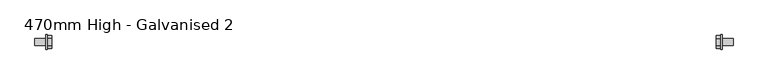
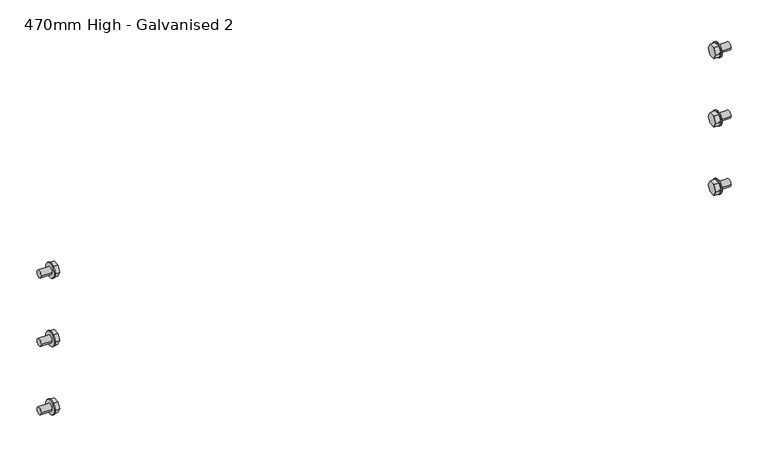
"""IFC4 building model written with IfcOpenShell, lengths in millimetres: proxy geometry, 470mm High - Galvanised 2."""

from ifc_helpers import new_model, si_unit, frame, origin, place, context, project, spatial, circle_curve, source, transform, mapped, element, save
from ifc_brep_helpers import plane_surface, cylinder_surface, advanced_brep


def proxy_470mm_high_galvanised_2_6a784b65(model_context):
    return source(origin(), model_context, "Body", "AdvancedBrep", [
        advanced_brep(
        [(1182.0, 6.0, 377.9554962), (1182.0, -6.0, 377.9554962), (1164.0, 6.0, 377.9554962), (1164.0, -6.0, 377.9554962), (1164.0, -12.0, 378.0), (1164.0, 12.0, 378.0), (1162.0, -12.0, 378.0), (1162.0, 12.0, 378.0), (1162.0, -5.4871529, 368.4514687), (1162.0, 5.4871529, 368.4514687), (1162.0, 10.9743057, 377.9554962), (1162.0, 5.4871529, 387.4595238), (1162.0, -5.4871529, 387.4595238), (1162.0, -10.9743057, 377.9554962), (1154.0, -5.4871529, 368.4514687), (1154.0, -10.9743057, 377.9554962), (1154.0, -5.4871529, 387.4595238), (1154.0, 5.4871529, 387.4595238), (1154.0, 10.9743057, 377.9554962), (1154.0, 5.4871529, 368.4514687)],
        [
            (0, 1, circle_curve(frame((1182.0, 0.0, 377.9554962), z_axis=(1.0, 0.0, 0.0), x_axis=(0.0, 1.0, 0.0)), 6.0)),
            (1, 0, circle_curve(frame((1182.0, 0.0, 377.9554962), z_axis=(1.0, 0.0, 0.0), x_axis=(0.0, 1.0, 0.0)), 6.0)),
            (0, 2),
            (2, 3, circle_curve(frame((1164.0, 0.0, 377.9554962), z_axis=(1.0, 0.0, 0.0), x_axis=(0.0, 1.0, 0.0)), 6.0)),
            (3, 1),
            (3, 2, circle_curve(frame((1164.0, 0.0, 377.9554962), z_axis=(1.0, 0.0, 0.0), x_axis=(0.0, 1.0, 0.0)), 6.0)),
            (4, 5, circle_curve(frame((1164.0, 0.0, 378.0), z_axis=(1.0, 0.0, 0.0), x_axis=(0.0, 1.0, 0.0)), 12.0)),
            (5, 4, circle_curve(frame((1164.0, 0.0, 378.0), z_axis=(1.0, 0.0, 0.0), x_axis=(0.0, 1.0, 0.0)), 12.0)),
            (6, 7, circle_curve(frame((1162.0, 0.0, 378.0), z_axis=(-1.0, 0.0, 0.0), x_axis=(0.0, 1.0, 0.0)), 12.0)),
            (7, 6, circle_curve(frame((1162.0, 0.0, 378.0), z_axis=(-1.0, 0.0, 0.0), x_axis=(0.0, 1.0, 0.0)), 12.0)),
            (8, 9),
            (9, 10),
            (10, 11),
            (11, 12),
            (12, 13),
            (13, 8),
            (4, 6),
            (7, 5),
            (14, 15),
            (15, 16),
            (16, 17),
            (17, 18),
            (18, 19),
            (19, 14),
            (19, 9),
            (8, 14),
            (18, 10),
            (17, 11),
            (16, 12),
            (15, 13),
        ],
        [
            plane_surface(frame((1182.0, 6.0, 377.9554962), z_axis=(1.0, 0.0, 0.0), x_axis=(0.0, 0.0, 1.0))),
            cylinder_surface(frame((1164.0, 0.0, 377.9554962), z_axis=(1.0, 0.0, 0.0), x_axis=(0.0, 1.0, 0.0)), 6.0),
            plane_surface(frame((1164.0, 12.0, 378.0), z_axis=(1.0, 0.0, 0.0), x_axis=(0.0, 0.0, 1.0))),
            plane_surface(frame((1162.0, 12.0, 378.0), z_axis=(-1.0, 0.0, 0.0), x_axis=(0.0, 0.0, -1.0))),
            cylinder_surface(frame((1162.0, 0.0, 378.0), z_axis=(1.0, 0.0, 0.0), x_axis=(0.0, 1.0, 0.0)), 12.0),
            plane_surface(frame((1154.0, -5.4871529, 368.4514687), z_axis=(-1.0, 0.0, 0.0), x_axis=(0.0, -1.0, 0.0))),
            plane_surface(frame((1164.0, -5.4871529, 368.4514687), z_axis=(0.0, 0.0, -1.0), x_axis=(-1.0, 0.0, 0.0))),
            plane_surface(frame((1164.0, 5.4871529, 368.4514687), z_axis=(0.0, 0.866025403784431, -0.5000000000000132), x_axis=(-1.0, 0.0, 0.0))),
            plane_surface(frame((1164.0, 10.9743057, 377.9554962), z_axis=(0.0, 0.8660254037844458, 0.4999999999999877), x_axis=(-1.0, 0.0, 0.0))),
            plane_surface(frame((1164.0, 5.4871529, 387.4595238), z_axis=(0.0, 0.0, 1.0), x_axis=(-1.0, 0.0, 0.0))),
            plane_surface(frame((1164.0, -5.4871529, 387.4595238), z_axis=(0.0, -0.8660254037844308, 0.5000000000000138), x_axis=(-1.0, 0.0, 0.0))),
            plane_surface(frame((1164.0, -10.9743057, 377.9554962), z_axis=(0.0, -0.8660254037844438, -0.4999999999999911), x_axis=(-1.0, 0.0, 0.0))),
        ],
        [
            (0, [[1, 2]]),
            (1, [[-1, 3, 4, 5]]),
            (1, [[-2, -5, 6, -3]]),
            (2, [[7, 8], [-4, -6]]),
            (3, [[9, 10], [11, 12, 13, 14, 15, 16]]),
            (4, [[-7, 17, -10, 18]]),
            (4, [[-8, -18, -9, -17]]),
            (5, [[19, 20, 21, 22, 23, 24]]),
            (6, [[-24, 25, -11, 26]]),
            (7, [[-23, 27, -12, -25]]),
            (8, [[-22, 28, -13, -27]]),
            (9, [[-21, 29, -14, -28]]),
            (10, [[-20, 30, -15, -29]]),
            (11, [[-19, -26, -16, -30]]),
        ],
    ),
        advanced_brep(
        [(1182.0, 6.0, 257.9554962), (1182.0, -6.0, 257.9554962), (1164.0, 6.0, 257.9554962), (1164.0, -6.0, 257.9554962), (1164.0, -12.0, 258.0), (1164.0, 12.0, 258.0), (1162.0, -12.0, 258.0), (1162.0, 12.0, 258.0), (1162.0, -5.5128471, 248.4069649), (1162.0, 5.5128471, 248.4069649), (1162.0, 11.0256943, 257.9554962), (1162.0, 5.5128471, 267.5040276), (1162.0, -5.5128471, 267.5040276), (1162.0, -11.0256943, 257.9554962), (1154.0, -5.5128471, 248.4069649), (1154.0, -11.0256943, 257.9554962), (1154.0, -5.5128471, 267.5040276), (1154.0, 5.5128471, 267.5040276), (1154.0, 11.0256943, 257.9554962), (1154.0, 5.5128471, 248.4069649)],
        [
            (0, 1, circle_curve(frame((1182.0, 0.0, 257.9554962), z_axis=(1.0, 0.0, 0.0), x_axis=(0.0, 1.0, 0.0)), 6.0)),
            (1, 0, circle_curve(frame((1182.0, 0.0, 257.9554962), z_axis=(1.0, 0.0, 0.0), x_axis=(0.0, 1.0, 0.0)), 6.0)),
            (0, 2),
            (2, 3, circle_curve(frame((1164.0, 0.0, 257.9554962), z_axis=(1.0, 0.0, 0.0), x_axis=(0.0, 1.0, 0.0)), 6.0)),
            (3, 1),
            (3, 2, circle_curve(frame((1164.0, 0.0, 257.9554962), z_axis=(1.0, 0.0, 0.0), x_axis=(0.0, 1.0, 0.0)), 6.0)),
            (4, 5, circle_curve(frame((1164.0, 0.0, 258.0), z_axis=(1.0, 0.0, 0.0), x_axis=(0.0, 1.0, 0.0)), 12.0)),
            (5, 4, circle_curve(frame((1164.0, 0.0, 258.0), z_axis=(1.0, 0.0, 0.0), x_axis=(0.0, 1.0, 0.0)), 12.0)),
            (6, 7, circle_curve(frame((1162.0, 0.0, 258.0), z_axis=(-1.0, 0.0, 0.0), x_axis=(0.0, 1.0, 0.0)), 12.0)),
            (7, 6, circle_curve(frame((1162.0, 0.0, 258.0), z_axis=(-1.0, 0.0, 0.0), x_axis=(0.0, 1.0, 0.0)), 12.0)),
            (8, 9),
            (9, 10),
            (10, 11),
            (11, 12),
            (12, 13),
            (13, 8),
            (4, 6),
            (7, 5),
            (14, 15),
            (15, 16),
            (16, 17),
            (17, 18),
            (18, 19),
            (19, 14),
            (19, 9),
            (8, 14),
            (18, 10),
            (17, 11),
            (16, 12),
            (15, 13),
        ],
        [
            plane_surface(frame((1182.0, 6.0, 377.9554962), z_axis=(1.0, 0.0, 0.0), x_axis=(0.0, 0.0, 1.0))),
            cylinder_surface(frame((1164.0, 0.0, 257.9554962), z_axis=(1.0, 0.0, 0.0), x_axis=(0.0, 1.0, 0.0)), 6.0),
            plane_surface(frame((1164.0, 12.0, 378.0), z_axis=(1.0, 0.0, 0.0), x_axis=(0.0, 0.0, 1.0))),
            plane_surface(frame((1162.0, 12.0, 378.0), z_axis=(-1.0, 0.0, 0.0), x_axis=(0.0, 0.0, -1.0))),
            cylinder_surface(frame((1164.0, 0.0, 258.0), z_axis=(1.0, 0.0, 0.0), x_axis=(0.0, 1.0, 0.0)), 12.0),
            plane_surface(frame((1154.0, -5.4871529, 368.4514687), z_axis=(-1.0, 0.0, 0.0), x_axis=(0.0, -1.0, 0.0))),
            plane_surface(frame((1164.0, -5.5128471, 248.4069649), z_axis=(0.0, 0.0, -1.0), x_axis=(-1.0, 0.0, 0.0))),
            plane_surface(frame((1164.0, 5.5128471, 248.4069649), z_axis=(0.0, 0.8660254037844325, -0.5000000000000109), x_axis=(-1.0, 0.0, 0.0))),
            plane_surface(frame((1164.0, 11.0256943, 257.9554962), z_axis=(0.0, 0.8660254037844445, 0.49999999999998995), x_axis=(-1.0, 0.0, 0.0))),
            plane_surface(frame((1164.0, 5.5128471, 267.5040276), z_axis=(0.0, 0.0, 1.0), x_axis=(-1.0, 0.0, 0.0))),
            plane_surface(frame((1164.0, -5.5128471, 267.5040276), z_axis=(0.0, -0.8660254037844318, 0.500000000000012), x_axis=(-1.0, 0.0, 0.0))),
            plane_surface(frame((1164.0, -11.0256943, 257.9554962), z_axis=(0.0, -0.8660254037844438, -0.4999999999999911), x_axis=(-1.0, 0.0, 0.0))),
        ],
        [
            (0, [[1, 2]]),
            (1, [[-1, 3, 4, 5]]),
            (1, [[-2, -5, 6, -3]]),
            (2, [[7, 8], [-4, -6]]),
            (3, [[9, 10], [11, 12, 13, 14, 15, 16]]),
            (4, [[-7, 17, -10, 18]]),
            (4, [[-8, -18, -9, -17]]),
            (5, [[19, 20, 21, 22, 23, 24]]),
            (6, [[-24, 25, -11, 26]]),
            (7, [[-23, 27, -12, -25]]),
            (8, [[-22, 28, -13, -27]]),
            (9, [[-21, 29, -14, -28]]),
            (10, [[-20, 30, -15, -29]]),
            (11, [[-19, -26, -16, -30]]),
        ],
    ),
        advanced_brep(
        [(1182.0, 6.0, 137.9554962), (1182.0, -6.0, 137.9554962), (1164.0, 6.0, 137.9554962), (1164.0, -6.0, 137.9554962), (1164.0, -12.0, 138.0), (1164.0, 12.0, 138.0), (1162.0, -12.0, 138.0), (1162.0, 12.0, 138.0), (1162.0, -5.4871529, 128.4514687), (1162.0, 5.4871529, 128.4514687), (1162.0, 10.9743057, 137.9554962), (1162.0, 5.4871529, 147.4595238), (1162.0, -5.4871529, 147.4595238), (1162.0, -10.9743057, 137.9554962), (1154.0, -5.4871529, 128.4514687), (1154.0, -10.9743057, 137.9554962), (1154.0, -5.4871529, 147.4595238), (1154.0, 5.4871529, 147.4595238), (1154.0, 10.9743057, 137.9554962), (1154.0, 5.4871529, 128.4514687)],
        [
            (0, 1, circle_curve(frame((1182.0, 0.0, 137.9554962), z_axis=(1.0, 0.0, 0.0), x_axis=(0.0, 1.0, 0.0)), 6.0)),
            (1, 0, circle_curve(frame((1182.0, 0.0, 137.9554962), z_axis=(1.0, 0.0, 0.0), x_axis=(0.0, 1.0, 0.0)), 6.0)),
            (0, 2),
            (2, 3, circle_curve(frame((1164.0, 0.0, 137.9554962), z_axis=(1.0, 0.0, 0.0), x_axis=(0.0, 1.0, 0.0)), 6.0)),
            (3, 1),
            (3, 2, circle_curve(frame((1164.0, 0.0, 137.9554962), z_axis=(1.0, 0.0, 0.0), x_axis=(0.0, 1.0, 0.0)), 6.0)),
            (4, 5, circle_curve(frame((1164.0, 0.0, 138.0), z_axis=(1.0, 0.0, 0.0), x_axis=(0.0, 1.0, 0.0)), 12.0)),
            (5, 4, circle_curve(frame((1164.0, 0.0, 138.0), z_axis=(1.0, 0.0, 0.0), x_axis=(0.0, 1.0, 0.0)), 12.0)),
            (6, 7, circle_curve(frame((1162.0, 0.0, 138.0), z_axis=(-1.0, 0.0, 0.0), x_axis=(0.0, 1.0, 0.0)), 12.0)),
            (7, 6, circle_curve(frame((1162.0, 0.0, 138.0), z_axis=(-1.0, 0.0, 0.0), x_axis=(0.0, 1.0, 0.0)), 12.0)),
            (8, 9),
            (9, 10),
            (10, 11),
            (11, 12),
            (12, 13),
            (13, 8),
            (4, 6),
            (7, 5),
            (14, 15),
            (15, 16),
            (16, 17),
            (17, 18),
            (18, 19),
            (19, 14),
            (19, 9),
            (8, 14),
            (18, 10),
            (17, 11),
            (16, 12),
            (15, 13),
        ],
        [
            plane_surface(frame((1182.0, 6.0, 377.9554962), z_axis=(1.0, 0.0, 0.0), x_axis=(0.0, 0.0, 1.0))),
            cylinder_surface(frame((1164.0, 0.0, 137.9554962), z_axis=(1.0, 0.0, 0.0), x_axis=(0.0, 1.0, 0.0)), 6.0),
            plane_surface(frame((1164.0, 12.0, 378.0), z_axis=(1.0, 0.0, 0.0), x_axis=(0.0, 0.0, 1.0))),
            plane_surface(frame((1162.0, 12.0, 378.0), z_axis=(-1.0, 0.0, 0.0), x_axis=(0.0, 0.0, -1.0))),
            cylinder_surface(frame((1164.0, 0.0, 138.0), z_axis=(1.0, 0.0, 0.0), x_axis=(0.0, 1.0, 0.0)), 12.0),
            plane_surface(frame((1154.0, -5.4871529, 368.4514687), z_axis=(-1.0, 0.0, 0.0), x_axis=(0.0, -1.0, 0.0))),
            plane_surface(frame((1164.0, -5.4871529, 128.4514687), z_axis=(0.0, 0.0, -1.0), x_axis=(-1.0, 0.0, 0.0))),
            plane_surface(frame((1164.0, 5.4871529, 128.4514687), z_axis=(0.0, 0.8660254037844333, -0.5000000000000094), x_axis=(-1.0, 0.0, 0.0))),
            plane_surface(frame((1164.0, 10.9743057, 137.9554962), z_axis=(0.0, 0.8660254037844444, 0.49999999999999006), x_axis=(-1.0, 0.0, 0.0))),
            plane_surface(frame((1164.0, 5.4871529, 147.4595238), z_axis=(0.0, 0.0, 1.0), x_axis=(-1.0, 0.0, 0.0))),
            plane_surface(frame((1164.0, -5.4871529, 147.4595238), z_axis=(0.0, -0.8660254037844314, 0.5000000000000128), x_axis=(-1.0, 0.0, 0.0))),
            plane_surface(frame((1164.0, -10.9743057, 137.9554962), z_axis=(0.0, -0.8660254037844438, -0.49999999999999123), x_axis=(-1.0, 0.0, 0.0))),
        ],
        [
            (0, [[1, 2]]),
            (1, [[-1, 3, 4, 5]]),
            (1, [[-2, -5, 6, -3]]),
            (2, [[7, 8], [-4, -6]]),
            (3, [[9, 10], [11, 12, 13, 14, 15, 16]]),
            (4, [[-7, 17, -10, 18]]),
            (4, [[-8, -18, -9, -17]]),
            (5, [[19, 20, 21, 22, 23, 24]]),
            (6, [[-24, 25, -11, 26]]),
            (7, [[-23, 27, -12, -25]]),
            (8, [[-22, 28, -13, -27]]),
            (9, [[-21, 29, -14, -28]]),
            (10, [[-20, 30, -15, -29]]),
            (11, [[-19, -26, -16, -30]]),
        ],
    ),
        advanced_brep(
        [(38.0, 6.0, 377.9554962), (38.0, -6.0, 377.9554962), (56.0, -6.0, 377.9554962), (56.0, 6.0, 377.9554962), (58.0, -12.0, 378.0), (58.0, 12.0, 378.0), (58.0, -5.5, 387.5262794), (58.0, 5.5, 387.5262794), (58.0, 11.0, 378.0), (58.0, 5.5, 368.4737206), (58.0, -5.5, 368.4737206), (58.0, -11.0, 378.0), (56.0, -12.0, 378.0), (56.0, 12.0, 378.0), (66.0, 5.5, 387.5262794), (66.0, -5.5, 387.5262794), (66.0, -11.0, 378.0), (66.0, -5.5, 368.4737206), (66.0, 5.5, 368.4737206), (66.0, 11.0, 378.0)],
        [
            (0, 1, circle_curve(frame((38.0, 0.0, 377.9554962), z_axis=(-1.0, 0.0, 0.0), x_axis=(0.0, 1.0, 0.0)), 6.0)),
            (1, 0, circle_curve(frame((38.0, 0.0, 377.9554962), z_axis=(-1.0, 0.0, 0.0), x_axis=(0.0, 1.0, 0.0)), 6.0)),
            (1, 2),
            (2, 3, circle_curve(frame((56.0, 0.0, 377.9554962), z_axis=(-1.0, 0.0, 0.0), x_axis=(0.0, 1.0, 0.0)), 6.0)),
            (3, 0),
            (3, 2, circle_curve(frame((56.0, 0.0, 377.9554962), z_axis=(-1.0, 0.0, 0.0), x_axis=(0.0, 1.0, 0.0)), 6.0)),
            (4, 5, circle_curve(frame((58.0, 0.0, 378.0), z_axis=(1.0, 0.0, 0.0), x_axis=(0.0, 1.0, 0.0)), 12.0)),
            (5, 4, circle_curve(frame((58.0, 0.0, 378.0), z_axis=(1.0, 0.0, 0.0), x_axis=(0.0, 1.0, 0.0)), 12.0)),
            (6, 7),
            (7, 8),
            (8, 9),
            (9, 10),
            (10, 11),
            (11, 6),
            (12, 13, circle_curve(frame((56.0, 0.0, 378.0), z_axis=(-1.0, 0.0, 0.0), x_axis=(0.0, 1.0, 0.0)), 12.0)),
            (13, 12, circle_curve(frame((56.0, 0.0, 378.0), z_axis=(-1.0, 0.0, 0.0), x_axis=(0.0, 1.0, 0.0)), 12.0)),
            (4, 12),
            (13, 5),
            (14, 15),
            (15, 16),
            (16, 17),
            (17, 18),
            (18, 19),
            (19, 14),
            (14, 7),
            (6, 15),
            (11, 16),
            (10, 17),
            (9, 18),
            (8, 19),
        ],
        [
            plane_surface(frame((38.0, 6.0, 377.9554962), z_axis=(-1.0, 0.0, 0.0), x_axis=(0.0, 0.0, -1.0))),
            cylinder_surface(frame((38.0, 0.0, 377.9554962), z_axis=(1.0, 0.0, 0.0), x_axis=(0.0, 1.0, 0.0)), 6.0),
            plane_surface(frame((58.0, 12.0, 378.0), z_axis=(1.0, 0.0, 0.0), x_axis=(0.0, 0.0, 1.0))),
            plane_surface(frame((56.0, 12.0, 378.0), z_axis=(-1.0, 0.0, 0.0), x_axis=(0.0, 0.0, -1.0))),
            cylinder_surface(frame((56.0, 0.0, 378.0), z_axis=(1.0, 0.0, 0.0), x_axis=(0.0, 1.0, 0.0)), 12.0),
            plane_surface(frame((66.0, 5.5, 387.5262794), z_axis=(1.0, 0.0, 0.0), x_axis=(0.0, -1.0, 0.0))),
            plane_surface(frame((66.0, 5.5, 387.5262794), z_axis=(0.0, 0.0, 1.0), x_axis=(-1.0, 0.0, 0.0))),
            plane_surface(frame((66.0, -5.5, 387.5262794), z_axis=(0.0, -0.8660254037844315, 0.5000000000000124), x_axis=(-1.0, 0.0, 0.0))),
            plane_surface(frame((66.0, -11.0, 378.0), z_axis=(0.0, -0.8660254037844463, -0.4999999999999869), x_axis=(-1.0, 0.0, 0.0))),
            plane_surface(frame((66.0, -5.5, 368.4737206), z_axis=(0.0, 0.0, -1.0), x_axis=(-1.0, 0.0, 0.0))),
            plane_surface(frame((66.0, 5.5, 368.4737206), z_axis=(0.0, 0.8660254037844295, -0.500000000000016), x_axis=(-1.0, 0.0, 0.0))),
            plane_surface(frame((66.0, 11.0, 378.0), z_axis=(0.0, 0.8660254037844443, 0.4999999999999903), x_axis=(-1.0, 0.0, 0.0))),
        ],
        [
            (0, [[1, 2]]),
            (1, [[-2, 3, 4, 5]]),
            (1, [[-1, -5, 6, -3]]),
            (2, [[7, 8], [9, 10, 11, 12, 13, 14]]),
            (3, [[15, 16], [-4, -6]]),
            (4, [[-7, 17, -16, 18]]),
            (4, [[-8, -18, -15, -17]]),
            (5, [[19, 20, 21, 22, 23, 24]]),
            (6, [[-19, 25, -9, 26]]),
            (7, [[-20, -26, -14, 27]]),
            (8, [[-21, -27, -13, 28]]),
            (9, [[-22, -28, -12, 29]]),
            (10, [[-23, -29, -11, 30]]),
            (11, [[-24, -30, -10, -25]]),
        ],
    ),
        advanced_brep(
        [(38.0, 6.0, 257.9554962), (38.0, -6.0, 257.9554962), (56.0, -6.0, 257.9554962), (56.0, 6.0, 257.9554962), (58.0, -12.0, 258.0), (58.0, 12.0, 258.0), (58.0, -5.5128471, 267.5040276), (58.0, 5.5128471, 267.5040276), (58.0, 11.0256943, 257.9554962), (58.0, 5.5128471, 248.4069649), (58.0, -5.5128471, 248.4069649), (58.0, -11.0256943, 257.9554962), (56.0, -12.0, 258.0), (56.0, 12.0, 258.0), (66.0, 5.5128471, 267.5040276), (66.0, -5.5128471, 267.5040276), (66.0, -11.0256943, 257.9554962), (66.0, -5.5128471, 248.4069649), (66.0, 5.5128471, 248.4069649), (66.0, 11.0256943, 257.9554962)],
        [
            (0, 1, circle_curve(frame((38.0, 0.0, 257.9554962), z_axis=(-1.0, 0.0, 0.0), x_axis=(0.0, 1.0, 0.0)), 6.0)),
            (1, 0, circle_curve(frame((38.0, 0.0, 257.9554962), z_axis=(-1.0, 0.0, 0.0), x_axis=(0.0, 1.0, 0.0)), 6.0)),
            (1, 2),
            (2, 3, circle_curve(frame((56.0, 0.0, 257.9554962), z_axis=(-1.0, 0.0, 0.0), x_axis=(0.0, 1.0, 0.0)), 6.0)),
            (3, 0),
            (3, 2, circle_curve(frame((56.0, 0.0, 257.9554962), z_axis=(-1.0, 0.0, 0.0), x_axis=(0.0, 1.0, 0.0)), 6.0)),
            (4, 5, circle_curve(frame((58.0, 0.0, 258.0), z_axis=(1.0, 0.0, 0.0), x_axis=(0.0, 1.0, 0.0)), 12.0)),
            (5, 4, circle_curve(frame((58.0, 0.0, 258.0), z_axis=(1.0, 0.0, 0.0), x_axis=(0.0, 1.0, 0.0)), 12.0)),
            (6, 7),
            (7, 8),
            (8, 9),
            (9, 10),
            (10, 11),
            (11, 6),
            (12, 13, circle_curve(frame((56.0, 0.0, 258.0), z_axis=(-1.0, 0.0, 0.0), x_axis=(0.0, 1.0, 0.0)), 12.0)),
            (13, 12, circle_curve(frame((56.0, 0.0, 258.0), z_axis=(-1.0, 0.0, 0.0), x_axis=(0.0, 1.0, 0.0)), 12.0)),
            (4, 12),
            (13, 5),
            (14, 15),
            (15, 16),
            (16, 17),
            (17, 18),
            (18, 19),
            (19, 14),
            (14, 7),
            (6, 15),
            (11, 16),
            (10, 17),
            (9, 18),
            (8, 19),
        ],
        [
            plane_surface(frame((38.0, 6.0, 377.9554962), z_axis=(-1.0, 0.0, 0.0), x_axis=(0.0, 0.0, -1.0))),
            cylinder_surface(frame((56.0, 0.0, 257.9554962), z_axis=(1.0, 0.0, 0.0), x_axis=(0.0, 1.0, 0.0)), 6.0),
            plane_surface(frame((58.0, 12.0, 378.0), z_axis=(1.0, 0.0, 0.0), x_axis=(0.0, 0.0, 1.0))),
            plane_surface(frame((56.0, 12.0, 378.0), z_axis=(-1.0, 0.0, 0.0), x_axis=(0.0, 0.0, -1.0))),
            cylinder_surface(frame((56.0, 0.0, 258.0), z_axis=(1.0, 0.0, 0.0), x_axis=(0.0, 1.0, 0.0)), 12.0),
            plane_surface(frame((66.0, 5.5, 387.5262794), z_axis=(1.0, 0.0, 0.0), x_axis=(0.0, -1.0, 0.0))),
            plane_surface(frame((66.0, 5.5128471, 267.5040276), z_axis=(0.0, 0.0, 1.0), x_axis=(-1.0, 0.0, 0.0))),
            plane_surface(frame((66.0, -5.5128471, 267.5040276), z_axis=(0.0, -0.8660254037844328, 0.5000000000000102), x_axis=(-1.0, 0.0, 0.0))),
            plane_surface(frame((66.0, -11.0256943, 257.9554962), z_axis=(0.0, -0.8660254037844448, -0.4999999999999895), x_axis=(-1.0, 0.0, 0.0))),
            plane_surface(frame((66.0, -5.5128471, 248.4069649), z_axis=(0.0, 0.0, -1.0), x_axis=(-1.0, 0.0, 0.0))),
            plane_surface(frame((66.0, 5.5128471, 248.4069649), z_axis=(0.0, 0.8660254037844315, -0.5000000000000125), x_axis=(-1.0, 0.0, 0.0))),
            plane_surface(frame((66.0, 11.0256943, 257.9554962), z_axis=(0.0, 0.8660254037844435, 0.49999999999999173), x_axis=(-1.0, 0.0, 0.0))),
        ],
        [
            (0, [[1, 2]]),
            (1, [[-2, 3, 4, 5]]),
            (1, [[-1, -5, 6, -3]]),
            (2, [[7, 8], [9, 10, 11, 12, 13, 14]]),
            (3, [[15, 16], [-4, -6]]),
            (4, [[-7, 17, -16, 18]]),
            (4, [[-8, -18, -15, -17]]),
            (5, [[19, 20, 21, 22, 23, 24]]),
            (6, [[-19, 25, -9, 26]]),
            (7, [[-20, -26, -14, 27]]),
            (8, [[-21, -27, -13, 28]]),
            (9, [[-22, -28, -12, 29]]),
            (10, [[-23, -29, -11, 30]]),
            (11, [[-24, -30, -10, -25]]),
        ],
    ),
        advanced_brep(
        [(38.0, 6.0, 137.9554962), (38.0, -6.0, 137.9554962), (56.0, -6.0, 137.9554962), (56.0, 6.0, 137.9554962), (58.0, -12.0, 138.0), (58.0, 12.0, 138.0), (58.0, -5.5, 147.5262794), (58.0, 5.5, 147.5262794), (58.0, 11.0, 138.0), (58.0, 5.5, 128.4737206), (58.0, -5.5, 128.4737206), (58.0, -11.0, 138.0), (56.0, -12.0, 138.0), (56.0, 12.0, 138.0), (66.0, 5.5, 147.5262794), (66.0, -5.5, 147.5262794), (66.0, -11.0, 138.0), (66.0, -5.5, 128.4737206), (66.0, 5.5, 128.4737206), (66.0, 11.0, 138.0)],
        [
            (0, 1, circle_curve(frame((38.0, 0.0, 137.9554962), z_axis=(-1.0, 0.0, 0.0), x_axis=(0.0, 1.0, 0.0)), 6.0)),
            (1, 0, circle_curve(frame((38.0, 0.0, 137.9554962), z_axis=(-1.0, 0.0, 0.0), x_axis=(0.0, 1.0, 0.0)), 6.0)),
            (1, 2),
            (2, 3, circle_curve(frame((56.0, 0.0, 137.9554962), z_axis=(-1.0, 0.0, 0.0), x_axis=(0.0, 1.0, 0.0)), 6.0)),
            (3, 0),
            (3, 2, circle_curve(frame((56.0, 0.0, 137.9554962), z_axis=(-1.0, 0.0, 0.0), x_axis=(0.0, 1.0, 0.0)), 6.0)),
            (4, 5, circle_curve(frame((58.0, 0.0, 138.0), z_axis=(1.0, 0.0, 0.0), x_axis=(0.0, 1.0, 0.0)), 12.0)),
            (5, 4, circle_curve(frame((58.0, 0.0, 138.0), z_axis=(1.0, 0.0, 0.0), x_axis=(0.0, 1.0, 0.0)), 12.0)),
            (6, 7),
            (7, 8),
            (8, 9),
            (9, 10),
            (10, 11),
            (11, 6),
            (12, 13, circle_curve(frame((56.0, 0.0, 138.0), z_axis=(-1.0, 0.0, 0.0), x_axis=(0.0, 1.0, 0.0)), 12.0)),
            (13, 12, circle_curve(frame((56.0, 0.0, 138.0), z_axis=(-1.0, 0.0, 0.0), x_axis=(0.0, 1.0, 0.0)), 12.0)),
            (4, 12),
            (13, 5),
            (14, 15),
            (15, 16),
            (16, 17),
            (17, 18),
            (18, 19),
            (19, 14),
            (14, 7),
            (6, 15),
            (11, 16),
            (10, 17),
            (9, 18),
            (8, 19),
        ],
        [
            plane_surface(frame((38.0, 6.0, 377.9554962), z_axis=(-1.0, 0.0, 0.0), x_axis=(0.0, 0.0, -1.0))),
            cylinder_surface(frame((56.0, 0.0, 137.9554962), z_axis=(1.0, 0.0, 0.0), x_axis=(0.0, 1.0, 0.0)), 6.0),
            plane_surface(frame((58.0, 12.0, 378.0), z_axis=(1.0, 0.0, 0.0), x_axis=(0.0, 0.0, 1.0))),
            plane_surface(frame((56.0, 12.0, 378.0), z_axis=(-1.0, 0.0, 0.0), x_axis=(0.0, 0.0, -1.0))),
            cylinder_surface(frame((56.0, 0.0, 138.0), z_axis=(1.0, 0.0, 0.0), x_axis=(0.0, 1.0, 0.0)), 12.0),
            plane_surface(frame((66.0, 5.5, 387.5262794), z_axis=(1.0, 0.0, 0.0), x_axis=(0.0, -1.0, 0.0))),
            plane_surface(frame((66.0, 5.5, 147.5262794), z_axis=(0.0, 0.0, 1.0), x_axis=(-1.0, 0.0, 0.0))),
            plane_surface(frame((66.0, -5.5, 147.5262794), z_axis=(0.0, -0.8660254037844329, 0.5000000000000099), x_axis=(-1.0, 0.0, 0.0))),
            plane_surface(frame((66.0, -11.0, 138.0), z_axis=(0.0, -0.8660254037844447, -0.49999999999998973), x_axis=(-1.0, 0.0, 0.0))),
            plane_surface(frame((66.0, -5.5, 128.4737206), z_axis=(0.0, 0.0, -1.0), x_axis=(-1.0, 0.0, 0.0))),
            plane_surface(frame((66.0, 5.5, 128.4737206), z_axis=(0.0, 0.8660254037844315, -0.5000000000000125), x_axis=(-1.0, 0.0, 0.0))),
            plane_surface(frame((66.0, 11.0, 138.0), z_axis=(0.0, 0.8660254037844436, 0.4999999999999916), x_axis=(-1.0, 0.0, 0.0))),
        ],
        [
            (0, [[1, 2]]),
            (1, [[-2, 3, 4, 5]]),
            (1, [[-1, -5, 6, -3]]),
            (2, [[7, 8], [9, 10, 11, 12, 13, 14]]),
            (3, [[15, 16], [-4, -6]]),
            (4, [[-7, 17, -16, 18]]),
            (4, [[-8, -18, -15, -17]]),
            (5, [[19, 20, 21, 22, 23, 24]]),
            (6, [[-19, 25, -9, 26]]),
            (7, [[-20, -26, -14, 27]]),
            (8, [[-21, -27, -13, 28]]),
            (9, [[-22, -28, -12, 29]]),
            (10, [[-23, -29, -11, 30]]),
            (11, [[-24, -30, -10, -25]]),
        ],
    ),
    ])


if __name__ == "__main__":
    model = new_model("IFC4")
    model_context = context("Model", 3, world=origin())
    ifc_project = project(units=[si_unit("LENGTHUNIT", "METRE", prefix="MILLI")], contexts=[model_context])
    site = spatial("IfcSite", under=ifc_project)
    building = spatial("IfcBuilding", under=site)
    placement = place(None, origin())
    proxy_470mm_high_galvanised_2_shape = proxy_470mm_high_galvanised_2_6a784b65(model_context)
    element("IfcBuildingElementProxy", 1, Name="470mm High - Galvanised 2", ObjectType="470mm High - Galvanised 2", at=placement, inside=building, context=model_context, shape_type="MappedRepresentation", body=[
        mapped(proxy_470mm_high_galvanised_2_shape, transform((0.0, 0.0, 0.0), x_axis=(1.0, 0.0, 0.0), y_axis=(0.0, 1.0, 0.0), z_axis=(0.0, 0.0, 1.0))),
    ])
    save(model, "model.ifc")
